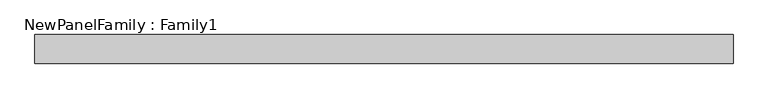
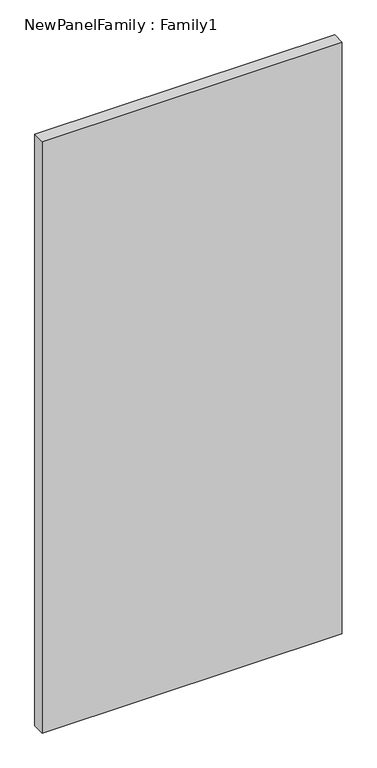
"""IFC4 building model written with IfcOpenShell, lengths in millimetres: proxy geometry, NewPanelFamily : Family1."""

import ifcopenshell
import ifcopenshell.guid

model = None  # the IFC model being written
_history = None  # IfcOwnerHistory: only IFC2X3 demands one
_inside = {}  # id of a spatial element -> (the spatial element, [elements in it])
_under = {}  # id of a project, library or spatial element -> (it, [spatial elements below it])
_declared = {}  # id of a project -> (the project, [libraries it declares])
_typed = {}  # id of a type object -> (the type object, [elements of that type])
_made_of = {}  # id of a material, layer set ... -> (it, [elements and type objects made of it])


def new_model(schema):
    """Start an empty IFC model of exactly this schema.

    Asked for "IFC4X3", IfcOpenShell would pick the latest addendum, in which some entities
    have other attributes; the version numbers below select the first issue.
    IFC2X3 requires an IfcOwnerHistory on every rooted entity: one is made here for all.
    """
    global model, _history
    if schema == "IFC4X3":
        model = ifcopenshell.file(schema_version=(4, 3, 0, 0))
    else:
        model = ifcopenshell.file(schema=schema)
    _inside.clear()
    _under.clear()
    _declared.clear()
    _typed.clear()
    _made_of.clear()
    _history = None
    if model.schema == "IFC2X3":
        org = make("IfcOrganization", Name="unknown")
        user = make(
            "IfcPersonAndOrganization",
            ThePerson=make("IfcPerson", FamilyName="unknown"),
            TheOrganization=org,
        )
        app = make(
            "IfcApplication",
            ApplicationDeveloper=org,
            Version="unknown",
            ApplicationFullName="unknown",
            ApplicationIdentifier="unknown",
        )
        _history = make(
            "IfcOwnerHistory",
            OwningUser=user,
            OwningApplication=app,
            ChangeAction="ADDED",
            CreationDate=0,
        )
    return model


def make(cls, **values):
    """One entity of the class cls with the attributes given. An attribute that is None is left unset."""
    return model.create_entity(
        cls, **{name: value for name, value in values.items() if value is not None}
    )


def rooted(cls, **values):
    """An entity with a GlobalId (a new one), such as an element, a storey or a relation."""
    return make(cls, GlobalId=ifcopenshell.guid.new(), OwnerHistory=_history, **values)


def si_unit(unit_type, name, prefix=None):
    """IfcSIUnit, for example si_unit("LENGTHUNIT", "METRE", prefix="MILLI")."""
    return make("IfcSIUnit", UnitType=unit_type, Prefix=prefix, Name=name)


def assignment(units):
    """IfcUnitAssignment: the units of a project."""
    return None if units is None else make("IfcUnitAssignment", Units=units)


def point(xyz):
    """IfcCartesianPoint."""
    return None if xyz is None else make("IfcCartesianPoint", Coordinates=xyz)


def direction(xyz):
    """IfcDirection."""
    return None if xyz is None else make("IfcDirection", DirectionRatios=xyz)


def frame(location, z_axis=None, x_axis=None):
    """IfcAxis2Placement3D, a coordinate frame: its origin and axes. An axis left out is left unset."""
    return make(
        "IfcAxis2Placement3D",
        Location=point(location),
        Axis=direction(z_axis),
        RefDirection=direction(x_axis),
    )


def origin():
    """The frame at (0, 0, 0) with its axes left unset."""
    return frame((0.0, 0.0, 0.0))


def origin_with_axes():
    """The frame at (0, 0, 0) with the z axis (0, 0, 1) and the x axis (1, 0, 0) written out."""
    return frame((0.0, 0.0, 0.0), z_axis=(0.0, 0.0, 1.0), x_axis=(1.0, 0.0, 0.0))


def place(relative_to, where):
    """IfcLocalPlacement: puts the frame where relative to a parent placement (None: the world)."""
    return make(
        "IfcLocalPlacement", PlacementRelTo=relative_to, RelativePlacement=where
    )


def context(
    kind, dimensions, precision=None, world=None, true_north=None, identifier=None
):
    """IfcGeometricRepresentationContext, for example the 3D "Model" context."""
    return make(
        "IfcGeometricRepresentationContext",
        ContextIdentifier=identifier,
        ContextType=kind,
        CoordinateSpaceDimension=dimensions,
        Precision=precision,
        WorldCoordinateSystem=world,
        TrueNorth=true_north,
    )


def project(units=None, contexts=None):
    """IfcProject with its units and contexts."""
    return rooted(
        "IfcProject",
        Name="project",
        RepresentationContexts=contexts,
        UnitsInContext=assignment(units),
    )


def spatial(cls, under=None, at=None, **own):
    """A site, building, storey or space (cls), placed at a placement, below another one or the project."""
    s = rooted(cls, ObjectPlacement=at, **own)
    if under is not None:
        _under.setdefault(under.id(), (under, []))[1].append(s)
    return s


def polyline(points):
    """IfcPolyline through the points."""
    return make("IfcPolyline", Points=[point(p) for p in points])


def outline(outer, holes=None, kind="AREA"):
    """IfcArbitraryClosedProfileDef: a profile drawn as a closed curve; with holes, ...WithVoids."""
    if holes is None:
        return make("IfcArbitraryClosedProfileDef", ProfileType=kind, OuterCurve=outer)
    return make(
        "IfcArbitraryProfileDefWithVoids",
        ProfileType=kind,
        OuterCurve=outer,
        InnerCurves=holes,
    )


def extrude(swept, where, along, depth):
    """IfcExtrudedAreaSolid: the profile swept, set in the frame where, extruded along a direction by depth."""
    return make(
        "IfcExtrudedAreaSolid",
        SweptArea=swept,
        Position=where,
        ExtrudedDirection=direction(along),
        Depth=depth,
    )


def shape(context_of_items, identifier, shape_type, items):
    """IfcShapeRepresentation: the items that make up one representation, for example the "Body"."""
    return make(
        "IfcShapeRepresentation",
        ContextOfItems=context_of_items,
        RepresentationIdentifier=identifier,
        RepresentationType=shape_type,
        Items=items,
    )


def source(mapping_origin, context_of_items, identifier, shape_type, items):
    """IfcRepresentationMap: a shape defined once, which mapped items show again and again."""
    return make(
        "IfcRepresentationMap",
        MappingOrigin=mapping_origin,
        MappedRepresentation=shape(context_of_items, identifier, shape_type, items),
    )


def transform(
    local_origin,
    x_axis=None,
    y_axis=None,
    z_axis=None,
    scale=None,
    scale2=None,
    scale3=None,
    uniform=True,
):
    """IfcCartesianTransformationOperator3D, or its non-uniform kind. x_axis, y_axis, z_axis: its Axis1, 2, 3."""
    if uniform:
        return make(
            "IfcCartesianTransformationOperator3D",
            Axis1=direction(x_axis),
            Axis2=direction(y_axis),
            LocalOrigin=point(local_origin),
            Scale=scale,
            Axis3=direction(z_axis),
        )
    return make(
        "IfcCartesianTransformationOperator3DnonUniform",
        Axis1=direction(x_axis),
        Axis2=direction(y_axis),
        LocalOrigin=point(local_origin),
        Scale=scale,
        Axis3=direction(z_axis),
        Scale2=scale2,
        Scale3=scale3,
    )


def mapped(mapping_source, mapping_target):
    """IfcMappedItem: shows the shape of a source again, moved by a transform."""
    return make(
        "IfcMappedItem", MappingSource=mapping_source, MappingTarget=mapping_target
    )


def made_of(thing, what):
    """Note that an element or type object is made of a material, layer set ...; save() writes the relation."""
    if what is not None:
        _made_of.setdefault(what.id(), (what, []))[1].append(thing)
    return thing


def element(
    cls,
    number,
    at=None,
    inside=None,
    cuts=None,
    type_object=None,
    material=None,
    context=None,
    identifier="Body",
    shape_type=None,
    held_by="IfcProductDefinitionShape",
    body=None,
    shapes=None,
    **own,
):
    """One element of the class cls, such as IfcWall. Its Tag is "e" and its number.

    at: its placement. inside: the storey or other place that contains it. cuts: it is an
    opening in that element (IfcRelVoidsElement). A single representation is given by context,
    identifier, shape_type and body (its items); several are given by shapes. held_by: the class
    of the entity that holds the representations. save() writes the other relations.
    """
    e = rooted(cls, Tag="e%d" % number, ObjectPlacement=at, **own)
    if body is not None:
        shapes = [shape(context, identifier, shape_type, body)]
    if shapes is not None:
        e.Representation = make(held_by, Representations=shapes)
    if inside is not None:
        _inside.setdefault(inside.id(), (inside, []))[1].append(e)
    if cuts is not None:
        rooted(
            "IfcRelVoidsElement", RelatingBuildingElement=cuts, RelatedOpeningElement=e
        )
    if type_object is not None:
        _typed.setdefault(type_object.id(), (type_object, []))[1].append(e)
    return made_of(e, material)


def aggregate(whole, parts):
    """IfcRelAggregates: a whole, such as a stair, and the parts it consists of."""
    return rooted("IfcRelAggregates", RelatingObject=whole, RelatedObjects=parts)


def save(model, path):
    """Write the relations noted so far, then the file.

    IfcRelAggregates (storeys below a building ...), IfcRelContainedInSpatialStructure (elements
    in a storey), IfcRelDefinesByType, IfcRelAssociatesMaterial and IfcRelDeclares: one each for
    every whole, place, type object, material and project.
    """
    for whole, parts in _under.values():
        aggregate(whole, parts)
    for where, things in _inside.values():
        rooted(
            "IfcRelContainedInSpatialStructure",
            RelatedElements=things,
            RelatingStructure=where,
        )
    for kind, things in _typed.values():
        rooted("IfcRelDefinesByType", RelatedObjects=things, RelatingType=kind)
    for what, things in _made_of.values():
        rooted("IfcRelAssociatesMaterial", RelatedObjects=things, RelatingMaterial=what)
    for by, libraries in _declared.values():
        rooted("IfcRelDeclares", RelatingContext=by, RelatedDefinitions=libraries)
    model.write(path)


def newpanelfamily_family1_576644ae(model_context):
    return source(origin(), model_context, "Body", "SweptSolid", [
        extrude(outline(polyline([(600.0, 25.0), (600.0, -25.0), (-600.0, -25.0), (-600.0, 25.0), (600.0, 25.0)])), origin_with_axes(), (0.0, 0.0, 1.0), 2500.0),
    ])


if __name__ == "__main__":
    model = new_model("IFC4")
    model_context = context("Model", 3, world=origin())
    ifc_project = project(units=[si_unit("LENGTHUNIT", "METRE", prefix="MILLI")], contexts=[model_context])
    site = spatial("IfcSite", under=ifc_project)
    building = spatial("IfcBuilding", under=site)
    placement = place(None, origin())
    newpanelfamily_family1_shape = newpanelfamily_family1_576644ae(model_context)
    element("IfcBuildingElementProxy", 1, Name="NewPanelFamily : Family1", ObjectType="NewPanelFamily : Family1", at=placement, inside=building, context=model_context, shape_type="MappedRepresentation", body=[
        mapped(newpanelfamily_family1_shape, transform((0.0, 0.0, 0.0), x_axis=(1.0, 0.0, 0.0), y_axis=(0.0, 1.0, 0.0), z_axis=(0.0, 0.0, 1.0))),
    ])
    save(model, "model.ifc")
